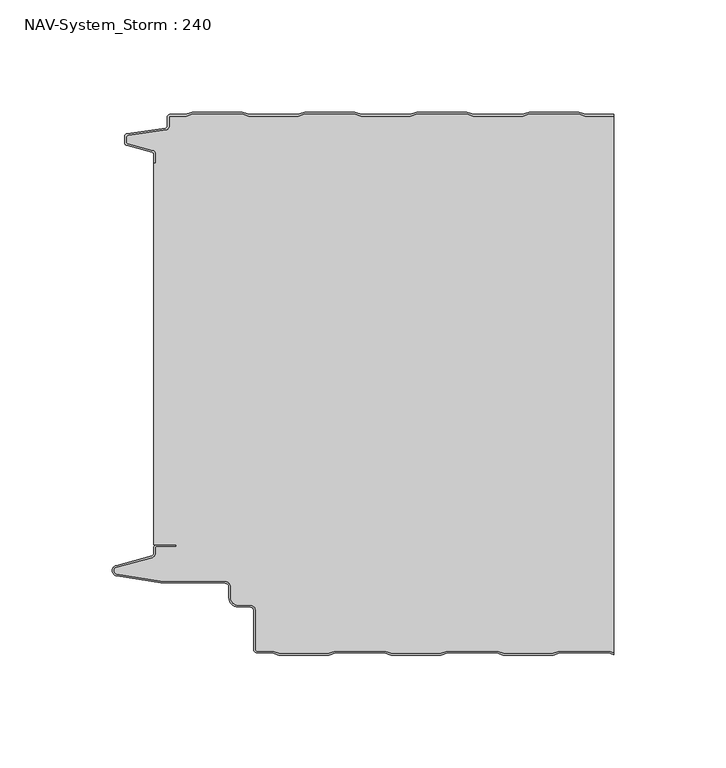
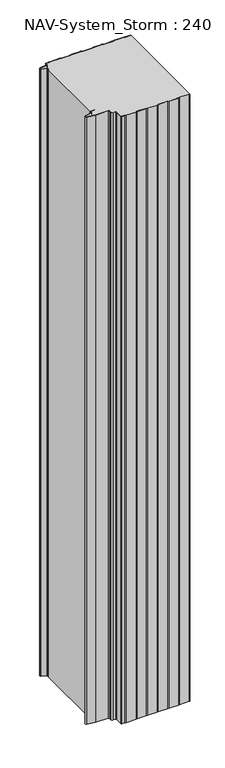
"""IFC4 building model written with IfcOpenShell, lengths in millimetres: plate geometry, NAV-System_Storm : 240."""

from ifc_helpers import new_model, si_unit, point, frame, frame_2d, origin, origin_with_axes, place, context, project, spatial, polyline, circle_curve, trimmed, segment, composite_curve, outline, extrude, source, transform, mapped, element, save
from ifc_brep_helpers import plane_surface, cylinder_surface, revolved_surface, advanced_brep


def nav_system_storm_240_0a30e23e(model_context):
    return source(origin(), model_context, "Body", "SolidModel", [
        extrude(outline(composite_curve([segment(polyline([(86.8684174, -0.8), (83.8684174, 0.2), (61.8684174, 0.2), (58.8684174, -0.8), (36.8684174, -0.8), (33.8684174, 0.2), (11.8684174, 0.2), (8.8684174, -0.8), (-13.1315826, -0.8), (-16.1315826, 0.2), (-38.1315826, 0.2), (-41.1315826, -0.8), (-63.1315826, -0.8), (-66.1315826, 0.2), (-88.1315826, 0.2), (-91.1315826, -0.8), (-98.2000153, -0.8)]), True, "CONTINUOUS"), segment(trimmed(circle_curve(frame_2d((-98.2000153, -1.3)), 0.5), [point((-98.2000153, -0.8))], [point((-98.7000153, -1.3))], True, "CARTESIAN"), True, "CONTINUOUS"), segment(polyline([(-98.7000153, -1.3), (-98.7000153, -5.3964683)]), True, "CONTINUOUS"), segment(trimmed(circle_curve(frame_2d((-100.2000153, -5.3964683)), 1.5), [point((-98.7000153, -5.3964683))], [point((-99.991136, -6.8818536))], False, "CARTESIAN"), True, "CONTINUOUS"), segment(polyline([(-99.991136, -6.8818536), (-116.9352336, -9.2645825)]), True, "CONTINUOUS"), segment(trimmed(circle_curve(frame_2d((-116.8115062, -10.1444347)), 0.8885091), [point((-116.9352336, -9.2645825))], [point((-117.7000153, -10.1444347))], True, "CARTESIAN"), True, "CONTINUOUS"), segment(polyline([(-117.7000153, -10.1444347), (-117.7000153, -12.46995)]), True, "CONTINUOUS"), segment(trimmed(circle_curve(frame_2d((-117.1000153, -12.46995)), 0.6), [point((-117.7000153, -12.46995))], [point((-117.2553067, -13.0495055))], True, "CARTESIAN"), True, "CONTINUOUS"), segment(polyline([(-117.2553067, -13.0495055), (-105.8785784, -16.0978907)]), True, "CONTINUOUS"), segment(trimmed(circle_curve(frame_2d((-106.266807, -17.5467794)), 1.5), [point((-105.8785784, -16.0978907))], [point((-104.766807, -17.5467794))], False, "CARTESIAN"), True, "CONTINUOUS"), segment(polyline([(-104.766807, -17.5467794), (-104.766807, -21.623446), (-105.566807, -21.623446), (-105.566807, -17.5467794)]), True, "CONTINUOUS"), segment(trimmed(circle_curve(frame_2d((-106.266807, -17.5467794)), 0.7), [point((-105.566807, -17.5467794))], [point((-106.0856337, -16.8706313))], True, "CARTESIAN"), True, "CONTINUOUS"), segment(polyline([(-106.0856337, -16.8706313), (-117.53648, -13.8023863)]), True, "CONTINUOUS"), segment(trimmed(circle_curve(frame_2d((-117.2000153, -12.5466827)), 1.3), [point((-117.53648, -13.8023863))], [point((-118.5000153, -12.5466827))], False, "CARTESIAN"), True, "CONTINUOUS"), segment(polyline([(-118.5000153, -12.5466827), (-118.5000153, -9.8067363)]), True, "CONTINUOUS"), segment(trimmed(circle_curve(frame_2d((-117.2000153, -9.8067363)), 1.3), [point((-118.5000153, -9.8067363))], [point((-117.3810439, -8.5194024))], False, "CARTESIAN"), True, "CONTINUOUS"), segment(polyline([(-117.3810439, -8.5194024), (-100.1025383, -6.0896481)]), True, "CONTINUOUS"), segment(trimmed(circle_curve(frame_2d((-100.2000153, -5.3964683)), 0.7), [point((-100.1025383, -6.0896481))], [point((-99.5000153, -5.3964683))], True, "CARTESIAN"), True, "CONTINUOUS"), segment(polyline([(-99.5000153, -5.3964683), (-99.5000153, -1.3)]), True, "CONTINUOUS"), segment(trimmed(circle_curve(frame_2d((-98.2000153, -1.3)), 1.3), [point((-99.5000153, -1.3))], [point((-98.2000153, 0.0))], False, "CARTESIAN"), True, "CONTINUOUS"), segment(polyline([(-98.2000153, 0.0), (-91.2614047, 0.0), (-88.2614047, 1.0), (-66.0017605, 1.0), (-63.0017605, 0.0), (-41.2614047, 0.0), (-38.2614047, 1.0), (-16.0017605, 1.0), (-13.0017605, 0.0), (8.7385953, 0.0), (11.7385953, 1.0), (33.9982395, 1.0), (36.9982395, 0.0), (58.7385953, 0.0), (61.7385953, 1.0), (83.9982395, 1.0), (86.9982395, 0.0), (99.5, 0.0), (99.5, -0.8), (86.8684174, -0.8)]), True, "CONTINUOUS")], self_intersect=False)), origin_with_axes(), (0.0, 0.0, 1.0), 1500.0),
        advanced_brep(
        [(86.8684327, -0.8, 1500.0), (83.8684327, 0.2, 1500.0), (61.8684327, 0.2, 1500.0), (58.8684327, -0.8, 1500.0), (36.8684327, -0.8, 1500.0), (33.8684327, 0.2, 1500.0), (11.8684327, 0.2, 1500.0), (8.8684327, -0.8, 1500.0), (-13.1315673, -0.8, 1500.0), (-16.1315673, 0.2, 1500.0), (-38.1315673, 0.2, 1500.0), (-41.1315673, -0.8, 1500.0), (-63.1315673, -0.8, 1500.0), (-66.1315673, 0.2, 1500.0), (-88.1315673, 0.2, 1500.0), (-91.1315673, -0.8, 1500.0), (-98.2, -0.8, 1500.0), (-98.7, -1.3, 1500.0), (-98.7, -5.3964683, 1500.0), (-99.9911207, -6.8818536, 1500.0), (-116.9352183, -9.2645825, 1500.0), (-117.7, -10.1444347, 1500.0), (-117.7, -12.46995, 1500.0), (-117.2552914, -13.0495055, 1500.0), (-105.8785632, -16.0978907, 1500.0), (-104.7667917, -17.5467794, 1500.0), (-104.7667917, -21.623446, 1500.0), (-105.5667917, -21.623446, 1500.0), (-105.5667917, -191.7763253, 1500.0), (-95.5330891, -191.7763253, 1500.0), (-95.5330891, -192.5763253, 1500.0), (-104.0330891, -192.5763253, 1500.0), (-104.7330891, -193.2763253, 1500.0), (-104.7330891, -195.8624192, 1500.0), (-105.9560377, -197.4561968, 1500.0), (-122.0574978, -201.8079393, 1500.0), (-121.9021816, -204.8341065, 1500.0), (-102.4332334, -208.0040626, 1500.0), (-73.9661198, -208.0040626, 1500.0), (-71.1661198, -210.806803, 1500.0), (-71.1661198, -215.5, 1500.0), (-67.9661198, -218.7, 1500.0), (-62.4661198, -218.7, 1500.0), (-60.1661198, -221.0, 1500.0), (-60.1661198, -238.2484002, 1500.0), (-59.2161211, -239.2, 1500.0), (-52.5977024, -239.2, 1500.0), (-49.5977024, -240.2, 1500.0), (-27.5977024, -240.2, 1500.0), (-24.5977024, -239.2, 1500.0), (-2.5977024, -239.2, 1500.0), (0.4022976, -240.2, 1500.0), (22.4022976, -240.2, 1500.0), (25.4022976, -239.2, 1500.0), (47.4022976, -239.2, 1500.0), (50.4022976, -240.2, 1500.0), (72.4022976, -240.2, 1500.0), (75.4022976, -239.2, 1500.0), (97.4022976, -239.2, 1500.0), (99.5, -239.8992341, 1500.0), (99.5, -0.8, 1500.0), (97.4022976, -239.2, 0.0), (75.4022976, -239.2, 0.0), (72.4022976, -240.2, 0.0), (50.4022976, -240.2, 0.0), (47.4022976, -239.2, 0.0), (25.4022976, -239.2, 0.0), (22.4022976, -240.2, 0.0), (0.4022976, -240.2, 0.0), (-2.5977024, -239.2, 0.0), (-24.5977024, -239.2, 0.0), (-27.5977024, -240.2, 0.0), (-49.5977024, -240.2, 0.0), (-52.5977024, -239.2, 0.0), (-59.2161211, -239.2, 0.0), (-60.1661198, -238.2484002, 0.0), (-60.1661198, -221.0, 0.0), (-62.4661198, -218.7, 0.0), (-67.9661198, -218.7, 0.0), (-71.1661198, -215.5, 0.0), (-71.1661198, -210.806803, 0.0), (-73.9661198, -208.006803, 0.0), (-102.4332334, -208.0040626, 0.0), (-121.9021816, -204.8341065, 0.0), (-122.0574978, -201.8079393, 0.0), (-105.9560377, -197.4561968, 0.0), (-104.7330891, -195.8624192, 0.0), (-104.7330891, -193.2763253, 0.0), (-104.0330891, -192.5763253, 0.0), (-95.5330891, -192.5763253, 0.0), (-95.5330891, -191.7763253, 0.0), (-105.5667917, -191.7763253, 0.0), (-105.5667917, -21.623446, 0.0), (-104.7667917, -21.623446, 0.0), (-104.7667917, -17.5467794, 0.0), (-105.8785632, -16.0978907, 0.0), (-117.2552914, -13.0495055, 0.0), (-117.7, -12.46995, 0.0), (-117.7, -10.1444347, 0.0), (-116.9352183, -9.2645825, 0.0), (-99.9911207, -6.8818536, 0.0), (-98.7, -5.3964683, 0.0), (-98.7, -1.3, 0.0), (-98.2, -0.8, 0.0), (-91.1315673, -0.8, 0.0), (-88.1315673, 0.2, 0.0), (-66.1315673, 0.2, 0.0), (-63.1315673, -0.8, 0.0), (-41.1315673, -0.8, 0.0), (-38.1315673, 0.2, 0.0), (-16.1315673, 0.2, 0.0), (-13.1315673, -0.8, 0.0), (8.8684327, -0.8, 0.0), (11.8684327, 0.2, 0.0), (33.8684327, 0.2, 0.0), (36.8684327, -0.8, 0.0), (58.8684327, -0.8, 0.0), (61.8684327, 0.2, 0.0), (83.8684327, 0.2, 0.0), (86.8684327, -0.8, 0.0), (99.5, -0.8, 0.0), (99.5, -239.8992341, 0.0)],
        [
            (0, 1),
            (1, 2),
            (2, 3),
            (3, 4),
            (4, 5),
            (5, 6),
            (6, 7),
            (7, 8),
            (8, 9),
            (9, 10),
            (10, 11),
            (11, 12),
            (12, 13),
            (13, 14),
            (14, 15),
            (15, 16),
            (16, 17, circle_curve(frame((-98.2, -1.3, 1500.0), z_axis=(0.0, 0.0, 1.0), x_axis=(1.0, 0.0, 0.0)), 0.5)),
            (17, 18),
            (18, 19, circle_curve(frame((-100.2, -5.3964683, 1500.0), z_axis=(0.0, 0.0, -1.0), x_axis=(1.0, 0.0, 0.0)), 1.5)),
            (19, 20),
            (20, 21, circle_curve(frame((-116.8114909, -10.1444347, 1500.0), z_axis=(0.0, 0.0, 1.0), x_axis=(1.0, 0.0, 0.0)), 0.8885091)),
            (21, 22),
            (22, 23, circle_curve(frame((-117.1, -12.46995, 1500.0), z_axis=(0.0, 0.0, 1.0), x_axis=(1.0, 0.0, 0.0)), 0.6)),
            (23, 24),
            (24, 25, circle_curve(frame((-106.2667917, -17.5467794, 1500.0), z_axis=(0.0, 0.0, -1.0), x_axis=(1.0, 0.0, 0.0)), 1.5)),
            (25, 26),
            (26, 27),
            (27, 28),
            (28, 29),
            (29, 30),
            (30, 31),
            (31, 32, circle_curve(frame((-104.0330891, -193.2763253, 1500.0), z_axis=(0.0, 0.0, 1.0), x_axis=(1.0, 0.0, 0.0)), 0.7)),
            (32, 33),
            (33, 34, circle_curve(frame((-106.3830891, -195.8624192, 1500.0), z_axis=(0.0, 0.0, -1.0), x_axis=(1.0, 0.0, 0.0)), 1.65)),
            (34, 35),
            (35, 36, circle_curve(frame((-121.6530891, -203.3042526, 1500.0), z_axis=(0.0, 0.0, 1.0), x_axis=(1.0, 0.0, 0.0)), 1.55)),
            (36, 37),
            (37, 38),
            (38, 39, circle_curve(frame((-73.9661198, -210.806803, 1500.0), z_axis=(0.0, 0.0, -1.0), x_axis=(1.0, 0.0, 0.0)), 2.8)),
            (39, 40),
            (40, 41, circle_curve(frame((-67.9661198, -215.5, 1500.0), z_axis=(0.0, 0.0, 1.0), x_axis=(1.0, 0.0, 0.0)), 3.2)),
            (41, 42),
            (42, 43, circle_curve(frame((-62.4661198, -221.0, 1500.0), z_axis=(0.0, 0.0, -1.0), x_axis=(1.0, 0.0, 0.0)), 2.3)),
            (43, 44),
            (44, 45, circle_curve(frame((-59.2161211, -238.25, 1500.0), z_axis=(0.0, 0.0, 1.0), x_axis=(1.0, 0.0, 0.0)), 0.95)),
            (45, 46),
            (46, 47),
            (47, 48),
            (48, 49),
            (49, 50),
            (50, 51),
            (51, 52),
            (52, 53),
            (53, 54),
            (54, 55),
            (55, 56),
            (56, 57),
            (57, 58),
            (58, 59),
            (59, 60),
            (60, 0),
            (61, 62),
            (62, 63),
            (63, 64),
            (64, 65),
            (65, 66),
            (66, 67),
            (67, 68),
            (68, 69),
            (69, 70),
            (70, 71),
            (71, 72),
            (72, 73),
            (73, 74),
            (74, 75, circle_curve(frame((-59.2161211, -238.25, 0.0), z_axis=(0.0, 0.0, -1.0), x_axis=(1.0, 0.0, 0.0)), 0.95)),
            (75, 76),
            (76, 77, circle_curve(frame((-62.4661198, -221.0, 0.0), z_axis=(0.0, 0.0, 1.0), x_axis=(1.0, 0.0, 0.0)), 2.3)),
            (77, 78),
            (78, 79, circle_curve(frame((-67.9661198, -215.5, 0.0), z_axis=(0.0, 0.0, -1.0), x_axis=(1.0, 0.0, 0.0)), 3.2)),
            (79, 80),
            (80, 81, circle_curve(frame((-73.9661198, -210.806803, 0.0), z_axis=(0.0, 0.0, 1.0), x_axis=(1.0, 0.0, 0.0)), 2.8)),
            (81, 82),
            (82, 83),
            (83, 84, circle_curve(frame((-121.6530891, -203.3042526, 0.0), z_axis=(0.0, 0.0, -1.0), x_axis=(1.0, 0.0, 0.0)), 1.55)),
            (84, 85),
            (85, 86, circle_curve(frame((-106.3830891, -195.8624192, 0.0), z_axis=(0.0, 0.0, 1.0), x_axis=(1.0, 0.0, 0.0)), 1.65)),
            (86, 87),
            (87, 88, circle_curve(frame((-104.0330891, -193.2763253, 0.0), z_axis=(0.0, 0.0, -1.0), x_axis=(1.0, 0.0, 0.0)), 0.7)),
            (88, 89),
            (89, 90),
            (90, 91),
            (91, 92),
            (92, 93),
            (93, 94),
            (94, 95, circle_curve(frame((-106.2667917, -17.5467794, 0.0), z_axis=(0.0, 0.0, 1.0), x_axis=(1.0, 0.0, 0.0)), 1.5)),
            (95, 96),
            (96, 97, circle_curve(frame((-117.1, -12.46995, 0.0), z_axis=(0.0, 0.0, -1.0), x_axis=(1.0, 0.0, 0.0)), 0.6)),
            (97, 98),
            (98, 99, circle_curve(frame((-116.8114909, -10.1444347, 0.0), z_axis=(0.0, 0.0, -1.0), x_axis=(1.0, 0.0, 0.0)), 0.8885091)),
            (99, 100),
            (100, 101, circle_curve(frame((-100.2, -5.3964683, 0.0), z_axis=(0.0, 0.0, 1.0), x_axis=(1.0, 0.0, 0.0)), 1.5)),
            (101, 102),
            (102, 103, circle_curve(frame((-98.2, -1.3, 0.0), z_axis=(0.0, 0.0, -1.0), x_axis=(1.0, 0.0, 0.0)), 0.5)),
            (103, 104),
            (104, 105),
            (105, 106),
            (106, 107),
            (107, 108),
            (108, 109),
            (109, 110),
            (110, 111),
            (111, 112),
            (112, 113),
            (113, 114),
            (114, 115),
            (115, 116),
            (116, 117),
            (117, 118),
            (118, 119),
            (119, 120),
            (120, 121),
            (121, 61),
            (119, 0),
            (60, 120),
            (118, 1),
            (117, 2),
            (116, 3),
            (115, 4),
            (114, 5),
            (113, 6),
            (112, 7),
            (111, 8),
            (110, 9),
            (109, 10),
            (108, 11),
            (107, 12),
            (106, 13),
            (105, 14),
            (104, 15),
            (103, 16),
            (102, 17),
            (101, 18),
            (100, 19),
            (99, 20),
            (98, 21),
            (97, 22),
            (96, 23),
            (95, 24),
            (94, 25),
            (93, 26),
            (92, 27),
            (91, 28),
            (90, 29),
            (89, 30),
            (88, 31),
            (87, 32),
            (86, 33),
            (85, 34),
            (84, 35),
            (83, 36),
            (82, 37),
            (81, 38),
            (80, 39),
            (79, 40),
            (78, 41),
            (77, 42),
            (76, 43),
            (75, 44),
            (74, 45),
            (73, 46),
            (72, 47),
            (71, 48),
            (70, 49),
            (69, 50),
            (68, 51),
            (67, 52),
            (66, 53),
            (65, 54),
            (64, 55),
            (63, 56),
            (62, 57),
            (61, 58),
            (121, 59),
        ],
        [
            plane_surface(frame((-99.5, 0.0, 1500.0), z_axis=(0.0, 0.0, 1.0), x_axis=(0.0, -1.0, 0.0))),
            plane_surface(frame((-99.5, 0.0, 0.0), z_axis=(0.0, 0.0, -1.0), x_axis=(0.0, -1.0, 0.0))),
            plane_surface(frame((108.8684327, -0.8, 1500.0), z_axis=(0.0, 1.0, 0.0), x_axis=(0.0, 0.0, -1.0))),
            plane_surface(frame((86.8684327, -0.8, 1500.0), z_axis=(0.3162277660167034, 0.9486832980505586, 0.0), x_axis=(0.0, 0.0, -1.0))),
            plane_surface(frame((83.8684327, 0.2, 1500.0), z_axis=(0.0, 1.0, 0.0), x_axis=(0.0, 0.0, -1.0))),
            plane_surface(frame((61.8684327, 0.2, 1500.0), z_axis=(-0.3162277660167478, 0.948683298050544, 0.0), x_axis=(0.0, 0.0, -1.0))),
            plane_surface(frame((58.8684327, -0.8, 1500.0), z_axis=(0.0, 1.0, 0.0), x_axis=(0.0, 0.0, -1.0))),
            plane_surface(frame((36.8684327, -0.8, 1500.0), z_axis=(0.3162277660167612, 0.9486832980505394, 0.0), x_axis=(0.0, 0.0, -1.0))),
            plane_surface(frame((33.8684327, 0.2, 1500.0), z_axis=(0.0, 1.0, 0.0), x_axis=(0.0, 0.0, -1.0))),
            plane_surface(frame((11.8684327, 0.2, 1500.0), z_axis=(-0.3162277660168056, 0.9486832980505246, 0.0), x_axis=(0.0, 0.0, -1.0))),
            plane_surface(frame((8.8684327, -0.8, 1500.0), z_axis=(0.0, 1.0, 0.0), x_axis=(0.0, 0.0, -1.0))),
            plane_surface(frame((-13.1315673, -0.8, 1500.0), z_axis=(0.3162277660167548, 0.9486832980505415, 0.0), x_axis=(0.0, 0.0, -1.0))),
            plane_surface(frame((-16.1315673, 0.2, 1500.0), z_axis=(0.0, 1.0, 0.0), x_axis=(0.0, 0.0, -1.0))),
            plane_surface(frame((-38.1315673, 0.2, 1500.0), z_axis=(-0.31622776601682484, 0.9486832980505183, 0.0), x_axis=(0.0, 0.0, -1.0))),
            plane_surface(frame((-41.1315673, -0.8, 1500.0), z_axis=(0.0, 1.0, 0.0), x_axis=(0.0, 0.0, -1.0))),
            plane_surface(frame((-63.1315673, -0.8, 1500.0), z_axis=(0.3162277660167034, 0.9486832980505586, 0.0), x_axis=(0.0, 0.0, -1.0))),
            plane_surface(frame((-66.1315673, 0.2, 1500.0), z_axis=(0.0, 1.0, 0.0), x_axis=(0.0, 0.0, -1.0))),
            plane_surface(frame((-88.1315673, 0.2, 1500.0), z_axis=(-0.31622776601670927, 0.9486832980505567, 0.0), x_axis=(0.0, 0.0, -1.0))),
            plane_surface(frame((-91.1315673, -0.8, 1500.0), z_axis=(0.0, 1.0, 0.0), x_axis=(0.0, 0.0, -1.0))),
            cylinder_surface(frame((-98.2, -1.3, 1500.0), z_axis=(0.0, 0.0, 1.0), x_axis=(1.0, 0.0, 0.0)), 0.5),
            plane_surface(frame((-98.7, -1.3, 1500.0), z_axis=(-1.0, 0.0, 0.0), x_axis=(0.0, 0.0, -1.0))),
            revolved_surface(polyline([(-98.7, -5.3964683, 0.0), (-98.7, -5.3964683, 1500.0)]), (-100.2, -5.3964683, 1500.0), (0.0, 0.0, -1.0)),
            plane_surface(frame((-99.9911207, -6.8818536, 1500.0), z_axis=(-0.13925283650469739, 0.9902568593680107, 0.0), x_axis=(0.0, 0.0, -1.0))),
            cylinder_surface(frame((-116.8114909, -10.1444347, 1500.0), z_axis=(0.0, 0.0, 1.0), x_axis=(1.0, 0.0, 0.0)), 0.8885091),
            plane_surface(frame((-117.7, -10.1444347, 1500.0), z_axis=(-1.0, 0.0, 0.0), x_axis=(0.0, 0.0, -1.0))),
            cylinder_surface(frame((-117.1, -12.46995, 1500.0), z_axis=(0.0, 0.0, 1.0), x_axis=(1.0, 0.0, 0.0)), 0.6),
            plane_surface(frame((-117.2552914, -13.0495055, 1500.0), z_axis=(-0.2588190451027143, -0.9659258262890165, 0.0), x_axis=(0.0, 0.0, -1.0))),
            revolved_surface(polyline([(-104.7667917, -17.5467794, 0.0), (-104.7667917, -17.5467794, 1500.0)]), (-106.2667917, -17.5467794, 1500.0), (0.0, 0.0, -1.0)),
            plane_surface(frame((-104.7667917, -17.5467794, 1500.0), z_axis=(-1.0, 0.0, 0.0), x_axis=(0.0, 0.0, -1.0))),
            plane_surface(frame((-104.7667917, -21.623446, 1500.0), z_axis=(0.0, 1.0, 0.0), x_axis=(0.0, 0.0, -1.0))),
            plane_surface(frame((-105.5667917, -21.623446, 1500.0), z_axis=(-1.0, 0.0, 0.0), x_axis=(0.0, 0.0, -1.0))),
            plane_surface(frame((-105.5667917, -191.7763253, 1500.0), z_axis=(0.0, -1.0, 0.0), x_axis=(0.0, 0.0, -1.0))),
            plane_surface(frame((-95.5330891, -191.7763253, 1500.0), z_axis=(-1.0, 0.0, 0.0), x_axis=(0.0, 0.0, -1.0))),
            plane_surface(frame((-95.5330891, -192.5763253, 1500.0), z_axis=(0.0, 1.0, 0.0), x_axis=(0.0, 0.0, -1.0))),
            cylinder_surface(frame((-104.0330891, -193.2763253, 1500.0), z_axis=(0.0, 0.0, 1.0), x_axis=(1.0, 0.0, 0.0)), 0.7),
            plane_surface(frame((-104.7330891, -193.2763253, 1500.0), z_axis=(-1.0, 0.0, 0.0), x_axis=(0.0, 0.0, -1.0))),
            revolved_surface(polyline([(-104.7330891, -195.8624192, 0.0), (-104.7330891, -195.8624192, 1500.0)]), (-106.3830891, -195.8624192, 1500.0), (0.0, 0.0, -1.0)),
            plane_surface(frame((-105.9560377, -197.4561968, 1500.0), z_axis=(-0.26090882701696627, 0.9653634465757603, 0.0), x_axis=(0.0, 0.0, -1.0))),
            cylinder_surface(frame((-121.6530891, -203.3042526, 1500.0), z_axis=(0.0, 0.0, 1.0), x_axis=(1.0, 0.0, 0.0)), 1.55),
            plane_surface(frame((-121.9021816, -204.8341065, 1500.0), z_axis=(-0.16070486280341942, -0.9870025061119826, 0.0), x_axis=(0.0, 0.0, -1.0))),
            plane_surface(frame((-102.4332334, -208.0040626, 1500.0), z_axis=(0.0, -1.0, 0.0), x_axis=(0.0, 0.0, -1.0))),
            revolved_surface(polyline([(-71.1661198, -210.806803, 0.0), (-71.1661198, -210.806803, 1500.0)]), (-73.9661198, -210.806803, 1500.0), (0.0, 0.0, -1.0)),
            plane_surface(frame((-71.1661198, -210.806803, 1500.0), z_axis=(-1.0, 0.0, 0.0), x_axis=(0.0, 0.0, -1.0))),
            cylinder_surface(frame((-67.9661198, -215.5, 1500.0), z_axis=(0.0, 0.0, 1.0), x_axis=(1.0, 0.0, 0.0)), 3.2),
            plane_surface(frame((-67.9661198, -218.7, 1500.0), z_axis=(0.0, -1.0, 0.0), x_axis=(0.0, 0.0, -1.0))),
            revolved_surface(polyline([(-60.166119800000004, -221.0, 0.0), (-60.166119800000004, -221.0, 1500.0)]), (-62.4661198, -221.0, 1500.0), (0.0, 0.0, -1.0)),
            plane_surface(frame((-60.1661198, -221.0, 1500.0), z_axis=(-1.0, 0.0, 0.0), x_axis=(0.0, 0.0, -1.0))),
            cylinder_surface(frame((-59.2161211, -238.25, 1500.0), z_axis=(0.0, 0.0, 1.0), x_axis=(1.0, 0.0, 0.0)), 0.95),
            plane_surface(frame((-59.2161211, -239.2, 1500.0), z_axis=(0.0, -1.0, 0.0), x_axis=(0.0, 0.0, -1.0))),
            plane_surface(frame((-52.5977024, -239.2, 1500.0), z_axis=(-0.31622776601835, -0.9486832980500098, 0.0), x_axis=(0.0, 0.0, -1.0))),
            plane_surface(frame((-49.5977024, -240.2, 1500.0), z_axis=(0.0, -1.0, 0.0), x_axis=(0.0, 0.0, -1.0))),
            plane_surface(frame((-27.5977024, -240.2, 1500.0), z_axis=(0.3162277660167256, -0.9486832980505513, 0.0), x_axis=(0.0, 0.0, -1.0))),
            plane_surface(frame((-24.5977024, -239.2, 1500.0), z_axis=(0.0, -1.0, 0.0), x_axis=(0.0, 0.0, -1.0))),
            plane_surface(frame((-2.5977024, -239.2, 1500.0), z_axis=(-0.31622776601678015, -0.9486832980505331, 0.0), x_axis=(0.0, 0.0, -1.0))),
            plane_surface(frame((0.4022976, -240.2, 1500.0), z_axis=(0.0, -1.0, 0.0), x_axis=(0.0, 0.0, -1.0))),
            plane_surface(frame((22.4022976, -240.2, 1500.0), z_axis=(0.3162277660167994, -0.9486832980505266, 0.0), x_axis=(0.0, 0.0, -1.0))),
            plane_surface(frame((25.4022976, -239.2, 1500.0), z_axis=(0.0, -1.0, 0.0), x_axis=(0.0, 0.0, -1.0))),
            plane_surface(frame((47.4022976, -239.2, 1500.0), z_axis=(-0.31622776601679625, -0.9486832980505278, 0.0), x_axis=(0.0, 0.0, -1.0))),
            plane_surface(frame((50.4022976, -240.2, 1500.0), z_axis=(0.0, -1.0, 0.0), x_axis=(0.0, 0.0, -1.0))),
            plane_surface(frame((72.4022976, -240.2, 1500.0), z_axis=(0.31622776601678015, -0.9486832980505331, 0.0), x_axis=(0.0, 0.0, -1.0))),
            plane_surface(frame((75.4022976, -239.2, 1500.0), z_axis=(0.0, -1.0, 0.0), x_axis=(0.0, 0.0, -1.0))),
            plane_surface(frame((97.4022976, -239.2, 1500.0), z_axis=(-0.3162277660167352, -0.9486832980505481, 0.0), x_axis=(0.0, 0.0, -1.0))),
            plane_surface(frame((99.5, 100.0, 1500.0), z_axis=(1.0, 0.0, 0.0), x_axis=(0.0, 0.0, -1.0))),
        ],
        [
            (0, [[1, 2, 3, 4, 5, 6, 7, 8, 9, 10, 11, 12, 13, 14, 15, 16, 17, 18, 19, 20, 21, 22, 23, 24, 25, 26, 27, 28, 29, 30, 31, 32, 33, 34, 35, 36, 37, 38, 39, 40, 41, 42, 43, 44, 45, 46, 47, 48, 49, 50, 51, 52, 53, 54, 55, 56, 57, 58, 59, 60, 61]]),
            (1, [[62, 63, 64, 65, 66, 67, 68, 69, 70, 71, 72, 73, 74, 75, 76, 77, 78, 79, 80, 81, 82, 83, 84, 85, 86, 87, 88, 89, 90, 91, 92, 93, 94, 95, 96, 97, 98, 99, 100, 101, 102, 103, 104, 105, 106, 107, 108, 109, 110, 111, 112, 113, 114, 115, 116, 117, 118, 119, 120, 121, 122]]),
            (2, [[123, -61, 124, -120]]),
            (3, [[-1, -123, -119, 125]]),
            (4, [[-2, -125, -118, 126]]),
            (5, [[-3, -126, -117, 127]]),
            (6, [[-4, -127, -116, 128]]),
            (7, [[-5, -128, -115, 129]]),
            (8, [[-6, -129, -114, 130]]),
            (9, [[-7, -130, -113, 131]]),
            (10, [[-8, -131, -112, 132]]),
            (11, [[-9, -132, -111, 133]]),
            (12, [[-10, -133, -110, 134]]),
            (13, [[-11, -134, -109, 135]]),
            (14, [[-12, -135, -108, 136]]),
            (15, [[-13, -136, -107, 137]]),
            (16, [[-14, -137, -106, 138]]),
            (17, [[-15, -138, -105, 139]]),
            (18, [[-16, -139, -104, 140]]),
            (19, [[-17, -140, -103, 141]]),
            (20, [[-18, -141, -102, 142]]),
            (21, [[-19, -142, -101, 143]]),
            (22, [[-20, -143, -100, 144]]),
            (23, [[-21, -144, -99, 145]]),
            (24, [[-22, -145, -98, 146]]),
            (25, [[-23, -146, -97, 147]]),
            (26, [[-24, -147, -96, 148]]),
            (27, [[-25, -148, -95, 149]]),
            (28, [[-26, -149, -94, 150]]),
            (29, [[-27, -150, -93, 151]]),
            (30, [[-28, -151, -92, 152]]),
            (31, [[-29, -152, -91, 153]]),
            (32, [[-30, -153, -90, 154]]),
            (33, [[-31, -154, -89, 155]]),
            (34, [[-32, -155, -88, 156]]),
            (35, [[-33, -156, -87, 157]]),
            (36, [[-34, -157, -86, 158]]),
            (37, [[-35, -158, -85, 159]]),
            (38, [[-36, -159, -84, 160]]),
            (39, [[-37, -160, -83, 161]]),
            (40, [[-38, -161, -82, 162]]),
            (41, [[-39, -162, -81, 163]]),
            (42, [[-40, -163, -80, 164]]),
            (43, [[-41, -164, -79, 165]]),
            (44, [[-42, -165, -78, 166]]),
            (45, [[-43, -166, -77, 167]]),
            (46, [[-44, -167, -76, 168]]),
            (47, [[-45, -168, -75, 169]]),
            (48, [[-46, -169, -74, 170]]),
            (49, [[-47, -170, -73, 171]]),
            (50, [[-48, -171, -72, 172]]),
            (51, [[-49, -172, -71, 173]]),
            (52, [[-50, -173, -70, 174]]),
            (53, [[-51, -174, -69, 175]]),
            (54, [[-52, -175, -68, 176]]),
            (55, [[-53, -176, -67, 177]]),
            (56, [[-54, -177, -66, 178]]),
            (57, [[-55, -178, -65, 179]]),
            (58, [[-56, -179, -64, 180]]),
            (59, [[-57, -180, -63, 181]]),
            (60, [[-58, -181, -62, 182]]),
            (61, [[-182, -122, 183, -59]]),
            (62, [[-60, -183, -121, -124]]),
        ],
    ),
        advanced_brep(
        [(97.3684174, -239.2, 1500.0), (75.3684174, -239.2, 1500.0), (72.3684174, -240.2, 1500.0), (50.3684174, -240.2, 1500.0), (47.3684174, -239.2, 1500.0), (25.3684174, -239.2, 1500.0), (22.3684174, -240.2, 1500.0), (0.3684174, -240.2, 1500.0), (-2.6315826, -239.2, 1500.0), (-24.6315826, -239.2, 1500.0), (-27.6315826, -240.2, 1500.0), (-49.6315826, -240.2, 1500.0), (-52.6315826, -239.2, 1500.0), (-59.2500013, -239.2, 1500.0), (-60.2, -238.2484002, 1500.0), (-60.2, -221.0, 1500.0), (-62.5, -218.7, 1500.0), (-68.0, -218.7, 1500.0), (-71.2, -215.5, 1500.0), (-71.2, -210.806803, 1500.0), (-74.0, -208.006803, 1500.0), (-102.4671136, -208.0040626, 1500.0), (-121.9360619, -204.8341065, 1500.0), (-122.091378, -201.8079393, 1500.0), (-105.9899179, -197.4561968, 1500.0), (-104.7669693, -195.8624192, 1500.0), (-104.7669693, -193.2763253, 1500.0), (-104.0669693, -192.5763253, 1500.0), (-95.5669693, -192.5763253, 1500.0), (-95.5669693, -191.7763253, 1500.0), (-104.0669693, -191.7763253, 1500.0), (-105.5669693, -193.2763253, 1500.0), (-105.5669693, -195.9006976, 1500.0), (-106.1582424, -196.6729884, 1500.0), (-122.3001048, -201.0356484, 1500.0), (-122.0646249, -205.6237086, 1500.0), (-102.4341193, -208.806803, 1500.0), (-74.0, -208.806803, 1500.0), (-72.0, -210.806803, 1500.0), (-72.0, -215.5, 1500.0), (-68.0, -219.5, 1500.0), (-62.5, -219.5, 1500.0), (-61.0, -221.0, 1500.0), (-61.0, -238.2478286, 1500.0), (-59.2500013, -240.0, 1500.0), (-52.7614047, -240.0, 1500.0), (-49.7614047, -241.0, 1500.0), (-27.5017605, -241.0, 1500.0), (-24.5017605, -240.0, 1500.0), (-2.7614047, -240.0, 1500.0), (0.2385953, -241.0, 1500.0), (22.4982395, -241.0, 1500.0), (25.4982395, -240.0, 1500.0), (47.2385953, -240.0, 1500.0), (50.2385953, -241.0, 1500.0), (72.4982395, -241.0, 1500.0), (75.4982395, -240.0, 1500.0), (97.2385953, -240.0, 1500.0), (99.5, -240.7538016, 1500.0), (99.5, -239.9105275, 1500.0), (97.2385953, -240.0, 0.0), (75.4982395, -240.0, 0.0), (72.4982395, -241.0, 0.0), (50.2385953, -241.0, 0.0), (47.2385953, -240.0, 0.0), (25.4982395, -240.0, 0.0), (22.4982395, -241.0, 0.0), (0.2385953, -241.0, 0.0), (-2.7614047, -240.0, 0.0), (-24.5017605, -240.0, 0.0), (-27.5017605, -241.0, 0.0), (-49.7614047, -241.0, 0.0), (-52.7614047, -240.0, 0.0), (-59.2500013, -240.0, 0.0), (-61.0, -238.2478286, 0.0), (-61.0, -221.0, 0.0), (-62.5, -219.5, 0.0), (-68.0, -219.5, 0.0), (-72.0, -215.5, 0.0), (-72.0, -210.806803, 0.0), (-74.0, -208.806803, 0.0), (-102.4341193, -208.806803, 0.0), (-122.0646249, -205.6237086, 0.0), (-122.3001048, -201.0356484, 0.0), (-106.1582424, -196.6729884, 0.0), (-105.5669693, -195.9006976, 0.0), (-105.5669693, -193.2763253, 0.0), (-104.0669693, -191.7763253, 0.0), (-95.5669693, -191.7763253, 0.0), (-95.5669693, -192.5763253, 0.0), (-104.0669693, -192.5763253, 0.0), (-104.7669693, -193.2763253, 0.0), (-104.7669693, -195.8624192, 0.0), (-105.9899179, -197.4561968, 0.0), (-122.091378, -201.8079393, 0.0), (-121.9360619, -204.8341065, 0.0), (-102.4671136, -208.0040626, 0.0), (-74.0, -208.0040626, 0.0), (-71.2, -210.806803, 0.0), (-71.2, -215.5, 0.0), (-68.0, -218.7, 0.0), (-62.5, -218.7, 0.0), (-60.2, -221.0, 0.0), (-60.2, -238.2484002, 0.0), (-59.2500013, -239.2, 0.0), (-52.6315826, -239.2, 0.0), (-49.6315826, -240.2, 0.0), (-27.6315826, -240.2, 0.0), (-24.6315826, -239.2, 0.0), (-2.6315826, -239.2, 0.0), (0.3684174, -240.2, 0.0), (22.3684174, -240.2, 0.0), (25.3684174, -239.2, 0.0), (47.3684174, -239.2, 0.0), (50.3684174, -240.2, 0.0), (72.3684174, -240.2, 0.0), (75.3684174, -239.2, 0.0), (97.3684174, -239.2, 0.0), (99.5, -239.9105275, 0.0), (99.5, -240.7538016, 0.0)],
        [
            (0, 1),
            (1, 2),
            (2, 3),
            (3, 4),
            (4, 5),
            (5, 6),
            (6, 7),
            (7, 8),
            (8, 9),
            (9, 10),
            (10, 11),
            (11, 12),
            (12, 13),
            (13, 14, circle_curve(frame((-59.2500013, -238.25, 1500.0), z_axis=(0.0, 0.0, -1.0), x_axis=(1.0, 0.0, 0.0)), 0.95)),
            (14, 15),
            (15, 16, circle_curve(frame((-62.5, -221.0, 1500.0), z_axis=(0.0, 0.0, 1.0), x_axis=(1.0, 0.0, 0.0)), 2.3)),
            (16, 17),
            (17, 18, circle_curve(frame((-68.0, -215.5, 1500.0), z_axis=(0.0, 0.0, -1.0), x_axis=(1.0, 0.0, 0.0)), 3.2)),
            (18, 19),
            (19, 20, circle_curve(frame((-74.0, -210.806803, 1500.0), z_axis=(0.0, 0.0, 1.0), x_axis=(1.0, 0.0, 0.0)), 2.8)),
            (20, 21),
            (21, 22),
            (22, 23, circle_curve(frame((-121.6869693, -203.3042526, 1500.0), z_axis=(0.0, 0.0, -1.0), x_axis=(1.0, 0.0, 0.0)), 1.55)),
            (23, 24),
            (24, 25, circle_curve(frame((-106.4169693, -195.8624192, 1500.0), z_axis=(0.0, 0.0, 1.0), x_axis=(1.0, 0.0, 0.0)), 1.65)),
            (25, 26),
            (26, 27, circle_curve(frame((-104.0669693, -193.2763253, 1500.0), z_axis=(0.0, 0.0, -1.0), x_axis=(1.0, 0.0, 0.0)), 0.7)),
            (27, 28),
            (28, 29),
            (29, 30),
            (30, 31, circle_curve(frame((-104.0669693, -193.2763253, 1500.0), z_axis=(0.0, 0.0, 1.0), x_axis=(1.0, 0.0, 0.0)), 1.5)),
            (31, 32),
            (32, 33, circle_curve(frame((-106.3669693, -195.9006976, 1500.0), z_axis=(0.0, 0.0, -1.0), x_axis=(1.0, 0.0, 0.0)), 0.8)),
            (33, 34),
            (34, 35, circle_curve(frame((-121.6869693, -203.3042526, 1500.0), z_axis=(0.0, 0.0, 1.0), x_axis=(1.0, 0.0, 0.0)), 2.35)),
            (35, 36),
            (36, 37),
            (37, 38, circle_curve(frame((-74.0, -210.806803, 1500.0), z_axis=(0.0, 0.0, -1.0), x_axis=(1.0, 0.0, 0.0)), 2.0)),
            (38, 39),
            (39, 40, circle_curve(frame((-68.0, -215.5, 1500.0), z_axis=(0.0, 0.0, 1.0), x_axis=(1.0, 0.0, 0.0)), 4.0)),
            (40, 41),
            (41, 42, circle_curve(frame((-62.5, -221.0, 1500.0), z_axis=(0.0, 0.0, -1.0), x_axis=(1.0, 0.0, 0.0)), 1.5)),
            (42, 43),
            (43, 44, circle_curve(frame((-59.2500013, -238.25, 1500.0), z_axis=(0.0, 0.0, 1.0), x_axis=(1.0, 0.0, 0.0)), 1.75)),
            (44, 45),
            (45, 46),
            (46, 47),
            (47, 48),
            (48, 49),
            (49, 50),
            (50, 51),
            (51, 52),
            (52, 53),
            (53, 54),
            (54, 55),
            (55, 56),
            (56, 57),
            (57, 58),
            (58, 59),
            (59, 0),
            (60, 61),
            (61, 62),
            (62, 63),
            (63, 64),
            (64, 65),
            (65, 66),
            (66, 67),
            (67, 68),
            (68, 69),
            (69, 70),
            (70, 71),
            (71, 72),
            (72, 73),
            (73, 74, circle_curve(frame((-59.2500013, -238.25, 0.0), z_axis=(0.0, 0.0, -1.0), x_axis=(1.0, 0.0, 0.0)), 1.75)),
            (74, 75),
            (75, 76, circle_curve(frame((-62.5, -221.0, 0.0), z_axis=(0.0, 0.0, 1.0), x_axis=(1.0, 0.0, 0.0)), 1.5)),
            (76, 77),
            (77, 78, circle_curve(frame((-68.0, -215.5, 0.0), z_axis=(0.0, 0.0, -1.0), x_axis=(1.0, 0.0, 0.0)), 4.0)),
            (78, 79),
            (79, 80, circle_curve(frame((-74.0, -210.806803, 0.0), z_axis=(0.0, 0.0, 1.0), x_axis=(1.0, 0.0, 0.0)), 2.0)),
            (80, 81),
            (81, 82),
            (82, 83, circle_curve(frame((-121.6869693, -203.3042526, 0.0), z_axis=(0.0, 0.0, -1.0), x_axis=(1.0, 0.0, 0.0)), 2.35)),
            (83, 84),
            (84, 85, circle_curve(frame((-106.3669693, -195.9006976, 0.0), z_axis=(0.0, 0.0, 1.0), x_axis=(1.0, 0.0, 0.0)), 0.8)),
            (85, 86),
            (86, 87, circle_curve(frame((-104.0669693, -193.2763253, 0.0), z_axis=(0.0, 0.0, -1.0), x_axis=(1.0, 0.0, 0.0)), 1.5)),
            (87, 88),
            (88, 89),
            (89, 90),
            (90, 91, circle_curve(frame((-104.0669693, -193.2763253, 0.0), z_axis=(0.0, 0.0, 1.0), x_axis=(1.0, 0.0, 0.0)), 0.7)),
            (91, 92),
            (92, 93, circle_curve(frame((-106.4169693, -195.8624192, 0.0), z_axis=(0.0, 0.0, -1.0), x_axis=(1.0, 0.0, 0.0)), 1.65)),
            (93, 94),
            (94, 95, circle_curve(frame((-121.6869693, -203.3042526, 0.0), z_axis=(0.0, 0.0, 1.0), x_axis=(1.0, 0.0, 0.0)), 1.55)),
            (95, 96),
            (96, 97),
            (97, 98, circle_curve(frame((-74.0, -210.806803, 0.0), z_axis=(0.0, 0.0, -1.0), x_axis=(1.0, 0.0, 0.0)), 2.8)),
            (98, 99),
            (99, 100, circle_curve(frame((-68.0, -215.5, 0.0), z_axis=(0.0, 0.0, 1.0), x_axis=(1.0, 0.0, 0.0)), 3.2)),
            (100, 101),
            (101, 102, circle_curve(frame((-62.5, -221.0, 0.0), z_axis=(0.0, 0.0, -1.0), x_axis=(1.0, 0.0, 0.0)), 2.3)),
            (102, 103),
            (103, 104, circle_curve(frame((-59.2500013, -238.25, 0.0), z_axis=(0.0, 0.0, 1.0), x_axis=(1.0, 0.0, 0.0)), 0.95)),
            (104, 105),
            (105, 106),
            (106, 107),
            (107, 108),
            (108, 109),
            (109, 110),
            (110, 111),
            (111, 112),
            (112, 113),
            (113, 114),
            (114, 115),
            (115, 116),
            (116, 117),
            (117, 118),
            (118, 119),
            (119, 60),
            (44, 73),
            (72, 45),
            (71, 46),
            (70, 47),
            (69, 48),
            (68, 49),
            (67, 50),
            (66, 51),
            (65, 52),
            (64, 53),
            (63, 54),
            (62, 55),
            (61, 56),
            (60, 57),
            (119, 58),
            (117, 0),
            (59, 118),
            (116, 1),
            (115, 2),
            (114, 3),
            (113, 4),
            (112, 5),
            (111, 6),
            (110, 7),
            (109, 8),
            (108, 9),
            (107, 10),
            (106, 11),
            (105, 12),
            (104, 13),
            (103, 14),
            (102, 15),
            (101, 16),
            (100, 17),
            (99, 18),
            (98, 19),
            (97, 20),
            (96, 21),
            (95, 22),
            (94, 23),
            (93, 24),
            (92, 25),
            (91, 26),
            (90, 27),
            (89, 28),
            (88, 29),
            (87, 30),
            (86, 31),
            (85, 32),
            (84, 33),
            (83, 34),
            (82, 35),
            (81, 36),
            (80, 37),
            (79, 38),
            (78, 39),
            (77, 40),
            (76, 41),
            (75, 42),
            (74, 43),
        ],
        [
            plane_surface(frame((-99.5, -240.0, 1500.0), z_axis=(0.0, 0.0, 1.0), x_axis=(-1.0, 0.0, 0.0))),
            plane_surface(frame((-99.5, -240.0, 0.0), z_axis=(0.0, 0.0, -1.0), x_axis=(-1.0, 0.0, 0.0))),
            plane_surface(frame((-59.2500013, -240.0, 1500.0), z_axis=(0.0, -1.0, 0.0), x_axis=(0.0, 0.0, -1.0))),
            plane_surface(frame((-52.7614047, -240.0, 1500.0), z_axis=(-0.3162277660167412, -0.9486832980505461, 0.0), x_axis=(0.0, 0.0, -1.0))),
            plane_surface(frame((-49.7614047, -241.0, 1500.0), z_axis=(0.0, -1.0, 0.0), x_axis=(0.0, 0.0, -1.0))),
            plane_surface(frame((-27.5017605, -241.0, 1500.0), z_axis=(0.3162277660167414, -0.9486832980505461, 0.0), x_axis=(0.0, 0.0, -1.0))),
            plane_surface(frame((-24.5017605, -240.0, 1500.0), z_axis=(0.0, -1.0, 0.0), x_axis=(0.0, 0.0, -1.0))),
            plane_surface(frame((-2.7614047, -240.0, 1500.0), z_axis=(-0.3162277660168044, -0.948683298050525, 0.0), x_axis=(0.0, 0.0, -1.0))),
            plane_surface(frame((0.2385953, -241.0, 1500.0), z_axis=(0.0, -1.0, 0.0), x_axis=(0.0, 0.0, -1.0))),
            plane_surface(frame((22.4982395, -241.0, 1500.0), z_axis=(0.31622776601679237, -0.9486832980505291, 0.0), x_axis=(0.0, 0.0, -1.0))),
            plane_surface(frame((25.4982395, -240.0, 1500.0), z_axis=(0.0, -1.0, 0.0), x_axis=(0.0, 0.0, -1.0))),
            plane_surface(frame((47.2385953, -240.0, 1500.0), z_axis=(-0.3162277660168044, -0.948683298050525, 0.0), x_axis=(0.0, 0.0, -1.0))),
            plane_surface(frame((50.2385953, -241.0, 1500.0), z_axis=(0.0, -1.0, 0.0), x_axis=(0.0, 0.0, -1.0))),
            plane_surface(frame((72.4982395, -241.0, 1500.0), z_axis=(0.31622776601679237, -0.9486832980505291, 0.0), x_axis=(0.0, 0.0, -1.0))),
            plane_surface(frame((75.4982395, -240.0, 1500.0), z_axis=(0.0, -1.0, 0.0), x_axis=(0.0, 0.0, -1.0))),
            plane_surface(frame((97.2385953, -240.0, 1500.0), z_axis=(-0.31622776601675345, -0.948683298050542, 0.0), x_axis=(0.0, 0.0, -1.0))),
            plane_surface(frame((100.3684174, -240.2, 1500.0), z_axis=(0.3162277660167308, 0.9486832980505495, 0.0), x_axis=(0.0, 0.0, -1.0))),
            plane_surface(frame((97.3684174, -239.2, 1500.0), z_axis=(0.0, 1.0, 0.0), x_axis=(0.0, 0.0, -1.0))),
            plane_surface(frame((75.3684174, -239.2, 1500.0), z_axis=(-0.3162277660167753, 0.9486832980505348, 0.0), x_axis=(0.0, 0.0, -1.0))),
            plane_surface(frame((72.3684174, -240.2, 1500.0), z_axis=(0.0, 1.0, 0.0), x_axis=(0.0, 0.0, -1.0))),
            plane_surface(frame((50.3684174, -240.2, 1500.0), z_axis=(0.3162277660167874, 0.9486832980505308, 0.0), x_axis=(0.0, 0.0, -1.0))),
            plane_surface(frame((47.3684174, -239.2, 1500.0), z_axis=(0.0, 1.0, 0.0), x_axis=(0.0, 0.0, -1.0))),
            plane_surface(frame((25.3684174, -239.2, 1500.0), z_axis=(-0.3162277660167753, 0.9486832980505348, 0.0), x_axis=(0.0, 0.0, -1.0))),
            plane_surface(frame((22.3684174, -240.2, 1500.0), z_axis=(0.0, 1.0, 0.0), x_axis=(0.0, 0.0, -1.0))),
            plane_surface(frame((0.3684174, -240.2, 1500.0), z_axis=(0.3162277660167874, 0.9486832980505308, 0.0), x_axis=(0.0, 0.0, -1.0))),
            plane_surface(frame((-2.6315826, -239.2, 1500.0), z_axis=(0.0, 1.0, 0.0), x_axis=(0.0, 0.0, -1.0))),
            plane_surface(frame((-24.6315826, -239.2, 1500.0), z_axis=(-0.31622776601671876, 0.9486832980505536, 0.0), x_axis=(0.0, 0.0, -1.0))),
            plane_surface(frame((-27.6315826, -240.2, 1500.0), z_axis=(0.0, 1.0, 0.0), x_axis=(0.0, 0.0, -1.0))),
            plane_surface(frame((-49.6315826, -240.2, 1500.0), z_axis=(0.31622776601671854, 0.9486832980505536, 0.0), x_axis=(0.0, 0.0, -1.0))),
            plane_surface(frame((-52.6315826, -239.2, 1500.0), z_axis=(0.0, 1.0, 0.0), x_axis=(0.0, 0.0, -1.0))),
            revolved_surface(polyline([(-58.3000013, -238.25, 0.0), (-58.3000013, -238.25, 1500.0)]), (-59.2500013, -238.25, 1500.0), (0.0, 0.0, -1.0)),
            plane_surface(frame((-60.2, -238.2484002, 1500.0), z_axis=(1.0, 0.0, 0.0), x_axis=(0.0, 0.0, -1.0))),
            cylinder_surface(frame((-62.5, -221.0, 1500.0), z_axis=(0.0, 0.0, 1.0), x_axis=(1.0, 0.0, 0.0)), 2.3),
            plane_surface(frame((-62.5, -218.7, 1500.0), z_axis=(0.0, 1.0, 0.0), x_axis=(0.0, 0.0, -1.0))),
            revolved_surface(polyline([(-64.8, -215.5, 0.0), (-64.8, -215.5, 1500.0)]), (-68.0, -215.5, 1500.0), (0.0, 0.0, -1.0)),
            plane_surface(frame((-71.2, -215.5, 1500.0), z_axis=(1.0, 0.0, 0.0), x_axis=(0.0, 0.0, -1.0))),
            cylinder_surface(frame((-74.0, -210.806803, 1500.0), z_axis=(0.0, 0.0, 1.0), x_axis=(1.0, 0.0, 0.0)), 2.8),
            plane_surface(frame((-74.0, -208.0040626, 1500.0), z_axis=(0.0, 1.0, 0.0), x_axis=(0.0, 0.0, -1.0))),
            plane_surface(frame((-102.4671136, -208.0040626, 1500.0), z_axis=(0.16070486280342547, 0.9870025061119816, 0.0), x_axis=(0.0, 0.0, -1.0))),
            revolved_surface(polyline([(-120.1369693, -203.3042526, 0.0), (-120.1369693, -203.3042526, 1500.0)]), (-121.6869693, -203.3042526, 1500.0), (0.0, 0.0, -1.0)),
            plane_surface(frame((-122.091378, -201.8079393, 1500.0), z_axis=(0.2609088270169608, -0.9653634465757618, 0.0), x_axis=(0.0, 0.0, -1.0))),
            cylinder_surface(frame((-106.4169693, -195.8624192, 1500.0), z_axis=(0.0, 0.0, 1.0), x_axis=(1.0, 0.0, 0.0)), 1.65),
            plane_surface(frame((-104.7669693, -195.8624192, 1500.0), z_axis=(1.0, 0.0, 0.0), x_axis=(0.0, 0.0, -1.0))),
            revolved_surface(polyline([(-103.3669693, -193.2763253, 0.0), (-103.3669693, -193.2763253, 1500.0)]), (-104.0669693, -193.2763253, 1500.0), (0.0, 0.0, -1.0)),
            plane_surface(frame((-104.0669693, -192.5763253, 1500.0), z_axis=(0.0, -1.0, 0.0), x_axis=(0.0, 0.0, -1.0))),
            plane_surface(frame((-95.5669693, -192.5763253, 1500.0), z_axis=(1.0, 0.0, 0.0), x_axis=(0.0, 0.0, -1.0))),
            plane_surface(frame((-95.5669693, -191.7763253, 1500.0), z_axis=(0.0, 1.0, 0.0), x_axis=(0.0, 0.0, -1.0))),
            cylinder_surface(frame((-104.0669693, -193.2763253, 1500.0), z_axis=(0.0, 0.0, 1.0), x_axis=(1.0, 0.0, 0.0)), 1.5),
            plane_surface(frame((-105.5669693, -193.2763253, 1500.0), z_axis=(-1.0, 0.0, 0.0), x_axis=(0.0, 0.0, -1.0))),
            revolved_surface(polyline([(-105.5669693, -195.9006976, 0.0), (-105.5669693, -195.9006976, 1500.0)]), (-106.3669693, -195.9006976, 1500.0), (0.0, 0.0, -1.0)),
            plane_surface(frame((-106.1582424, -196.6729884, 1500.0), z_axis=(-0.26090871859979187, 0.965363475877669, 0.0), x_axis=(0.0, 0.0, -1.0))),
            cylinder_surface(frame((-121.6869693, -203.3042526, 1500.0), z_axis=(0.0, 0.0, 1.0), x_axis=(1.0, 0.0, 0.0)), 2.35),
            plane_surface(frame((-122.0646249, -205.6237086, 1500.0), z_axis=(-0.16005984548186533, -0.9871073122332351, 0.0), x_axis=(0.0, 0.0, -1.0))),
            plane_surface(frame((-102.4341193, -208.806803, 1500.0), z_axis=(0.0, -1.0, 0.0), x_axis=(0.0, 0.0, -1.0))),
            revolved_surface(polyline([(-72.0, -210.806803, 0.0), (-72.0, -210.806803, 1500.0)]), (-74.0, -210.806803, 1500.0), (0.0, 0.0, -1.0)),
            plane_surface(frame((-72.0, -210.806803, 1500.0), z_axis=(-1.0, 0.0, 0.0), x_axis=(0.0, 0.0, -1.0))),
            cylinder_surface(frame((-68.0, -215.5, 1500.0), z_axis=(0.0, 0.0, 1.0), x_axis=(1.0, 0.0, 0.0)), 4.0),
            plane_surface(frame((-68.0, -219.5, 1500.0), z_axis=(0.0, -1.0, 0.0), x_axis=(0.0, 0.0, -1.0))),
            revolved_surface(polyline([(-61.0, -221.0, 0.0), (-61.0, -221.0, 1500.0)]), (-62.5, -221.0, 1500.0), (0.0, 0.0, -1.0)),
            plane_surface(frame((-61.0, -221.0, 1500.0), z_axis=(-1.0, 0.0, 0.0), x_axis=(0.0, 0.0, -1.0))),
            cylinder_surface(frame((-59.2500013, -238.25, 1500.0), z_axis=(0.0, 0.0, 1.0), x_axis=(1.0, 0.0, 0.0)), 1.75),
            plane_surface(frame((99.5, 100.0, 1500.0), z_axis=(1.0, 0.0, 0.0), x_axis=(0.0, 0.0, -1.0))),
        ],
        [
            (0, [[1, 2, 3, 4, 5, 6, 7, 8, 9, 10, 11, 12, 13, 14, 15, 16, 17, 18, 19, 20, 21, 22, 23, 24, 25, 26, 27, 28, 29, 30, 31, 32, 33, 34, 35, 36, 37, 38, 39, 40, 41, 42, 43, 44, 45, 46, 47, 48, 49, 50, 51, 52, 53, 54, 55, 56, 57, 58, 59, 60]]),
            (1, [[61, 62, 63, 64, 65, 66, 67, 68, 69, 70, 71, 72, 73, 74, 75, 76, 77, 78, 79, 80, 81, 82, 83, 84, 85, 86, 87, 88, 89, 90, 91, 92, 93, 94, 95, 96, 97, 98, 99, 100, 101, 102, 103, 104, 105, 106, 107, 108, 109, 110, 111, 112, 113, 114, 115, 116, 117, 118, 119, 120]]),
            (2, [[-45, 121, -73, 122]]),
            (3, [[-46, -122, -72, 123]]),
            (4, [[-47, -123, -71, 124]]),
            (5, [[-48, -124, -70, 125]]),
            (6, [[-49, -125, -69, 126]]),
            (7, [[-50, -126, -68, 127]]),
            (8, [[-51, -127, -67, 128]]),
            (9, [[-52, -128, -66, 129]]),
            (10, [[-53, -129, -65, 130]]),
            (11, [[-54, -130, -64, 131]]),
            (12, [[-55, -131, -63, 132]]),
            (13, [[-56, -132, -62, 133]]),
            (14, [[-57, -133, -61, 134]]),
            (15, [[-134, -120, 135, -58]]),
            (16, [[136, -60, 137, -118]]),
            (17, [[-1, -136, -117, 138]]),
            (18, [[-2, -138, -116, 139]]),
            (19, [[-3, -139, -115, 140]]),
            (20, [[-4, -140, -114, 141]]),
            (21, [[-5, -141, -113, 142]]),
            (22, [[-6, -142, -112, 143]]),
            (23, [[-7, -143, -111, 144]]),
            (24, [[-8, -144, -110, 145]]),
            (25, [[-9, -145, -109, 146]]),
            (26, [[-10, -146, -108, 147]]),
            (27, [[-11, -147, -107, 148]]),
            (28, [[-12, -148, -106, 149]]),
            (29, [[-13, -149, -105, 150]]),
            (30, [[-14, -150, -104, 151]]),
            (31, [[-15, -151, -103, 152]]),
            (32, [[-16, -152, -102, 153]]),
            (33, [[-17, -153, -101, 154]]),
            (34, [[-18, -154, -100, 155]]),
            (35, [[-19, -155, -99, 156]]),
            (36, [[-20, -156, -98, 157]]),
            (37, [[-21, -157, -97, 158]]),
            (38, [[-22, -158, -96, 159]]),
            (39, [[-23, -159, -95, 160]]),
            (40, [[-24, -160, -94, 161]]),
            (41, [[-25, -161, -93, 162]]),
            (42, [[-26, -162, -92, 163]]),
            (43, [[-27, -163, -91, 164]]),
            (44, [[-28, -164, -90, 165]]),
            (45, [[-29, -165, -89, 166]]),
            (46, [[-30, -166, -88, 167]]),
            (47, [[-31, -167, -87, 168]]),
            (48, [[-32, -168, -86, 169]]),
            (49, [[-33, -169, -85, 170]]),
            (50, [[-34, -170, -84, 171]]),
            (51, [[-35, -171, -83, 172]]),
            (52, [[-36, -172, -82, 173]]),
            (53, [[-37, -173, -81, 174]]),
            (54, [[-38, -174, -80, 175]]),
            (55, [[-39, -175, -79, 176]]),
            (56, [[-40, -176, -78, 177]]),
            (57, [[-41, -177, -77, 178]]),
            (58, [[-42, -178, -76, 179]]),
            (59, [[-43, -179, -75, 180]]),
            (60, [[-44, -180, -74, -121]]),
            (61, [[-59, -135, -119, -137]]),
        ],
    ),
    ])


if __name__ == "__main__":
    model = new_model("IFC4")
    model_context = context("Model", 3, world=origin())
    ifc_project = project(units=[si_unit("LENGTHUNIT", "METRE", prefix="MILLI")], contexts=[model_context])
    site = spatial("IfcSite", under=ifc_project)
    building = spatial("IfcBuilding", under=site)
    placement = place(None, origin())
    nav_system_storm_240_shape = nav_system_storm_240_0a30e23e(model_context)
    element("IfcPlate", 1, ObjectType="NAV-System_Storm : 240", at=placement, inside=building, context=model_context, shape_type="MappedRepresentation", body=[
        mapped(nav_system_storm_240_shape, transform((0.0, 0.0, 0.0), x_axis=(1.0, 0.0, 0.0), y_axis=(0.0, 1.0, 0.0), z_axis=(0.0, 0.0, 1.0))),
    ])
    save(model, "model.ifc")
